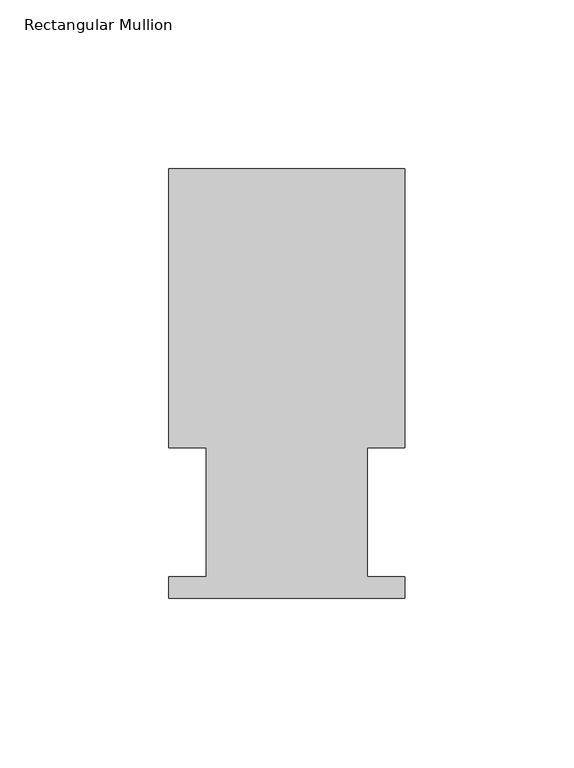
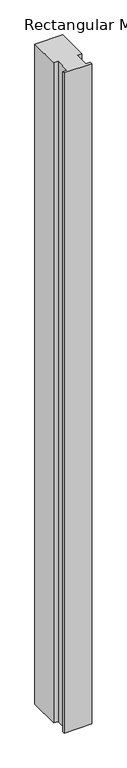
"""IFC4 building model written with IfcOpenShell, lengths in millimetres: member geometry, Rectangular Mullion."""

from ifc_helpers import new_model, si_unit, frame, origin, place, context, project, spatial, polyline, outline, extrude, source, transform, mapped, element, save


def rectangular_mullion_2f7c5733(model_context):
    return source(origin(), model_context, "Body", "SweptSolid", [
        extrude(outline(polyline([(34.925, 127.0), (34.925, 44.45), (23.8125, 44.45), (23.8125, 6.35), (34.925, 6.35), (34.925, 0.0), (-34.925, 0.0), (-34.925, 6.35), (-23.8125, 6.35), (-23.8125, 44.45), (-34.925, 44.45), (-34.925, 127.0), (34.925, 127.0)])), frame((0.0, 0.0, -1758.95), z_axis=(0.0, 0.0, 1.0), x_axis=(1.0, 0.0, 0.0)), (0.0, 0.0, 1.0), 1758.95),
    ])


if __name__ == "__main__":
    model = new_model("IFC4")
    model_context = context("Model", 3, world=origin())
    ifc_project = project(units=[si_unit("LENGTHUNIT", "METRE", prefix="MILLI")], contexts=[model_context])
    site = spatial("IfcSite", under=ifc_project)
    building = spatial("IfcBuilding", under=site)
    placement = place(None, origin())
    rectangular_mullion_shape = rectangular_mullion_2f7c5733(model_context)
    element("IfcMember", 1, ObjectType="Rectangular Mullion", at=placement, inside=building, context=model_context, shape_type="MappedRepresentation", body=[
        mapped(rectangular_mullion_shape, transform((0.0, 0.0, 0.0), x_axis=(1.0, 0.0, 0.0), y_axis=(0.0, 1.0, 0.0), z_axis=(0.0, 0.0, 1.0))),
    ])
    save(model, "model.ifc")
